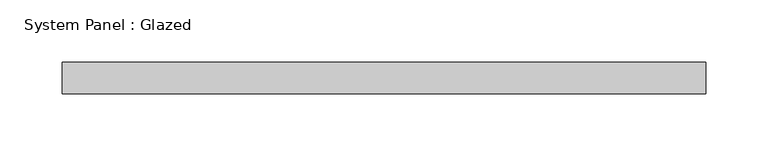
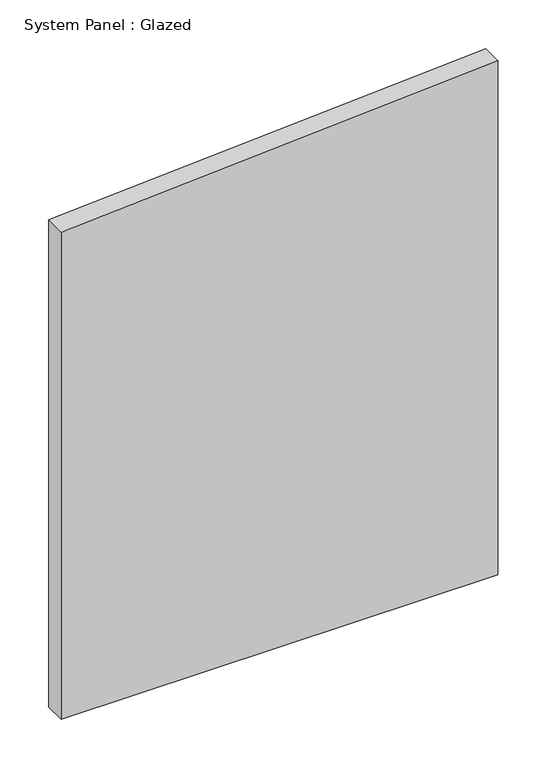
"""IFC4 building model written with IfcOpenShell, lengths in millimetres: plate geometry, System Panel : Glazed."""

from ifc_helpers import new_model, si_unit, frame, origin, place, context, project, spatial, polyline, outline, extrude, source, transform, mapped, element, save


def system_panel_glazed_04372021(model_context):
    return source(origin(), model_context, "Body", "SweptSolid", [
        extrude(outline(polyline([(0.0, -259.0371326), (0.0, 259.0371326), (643.9126281, 259.0371326), (610.8252542, -259.0371326), (0.0, -259.0371326)])), frame((0.0, 19.05, 0.0), z_axis=(0.0, 1.0, 0.0), x_axis=(0.0, 0.0, 1.0)), (0.0, 0.0, 1.0), 25.4),
    ])


if __name__ == "__main__":
    model = new_model("IFC4")
    model_context = context("Model", 3, world=origin())
    ifc_project = project(units=[si_unit("LENGTHUNIT", "METRE", prefix="MILLI")], contexts=[model_context])
    site = spatial("IfcSite", under=ifc_project)
    building = spatial("IfcBuilding", under=site)
    placement = place(None, origin())
    system_panel_glazed_shape = system_panel_glazed_04372021(model_context)
    element("IfcPlate", 1, ObjectType="System Panel : Glazed", at=placement, inside=building, context=model_context, shape_type="MappedRepresentation", body=[
        mapped(system_panel_glazed_shape, transform((0.0, 0.0, 0.0), x_axis=(1.0, 0.0, 0.0), y_axis=(0.0, 1.0, 0.0), z_axis=(0.0, 0.0, 1.0))),
    ])
    save(model, "model.ifc")
